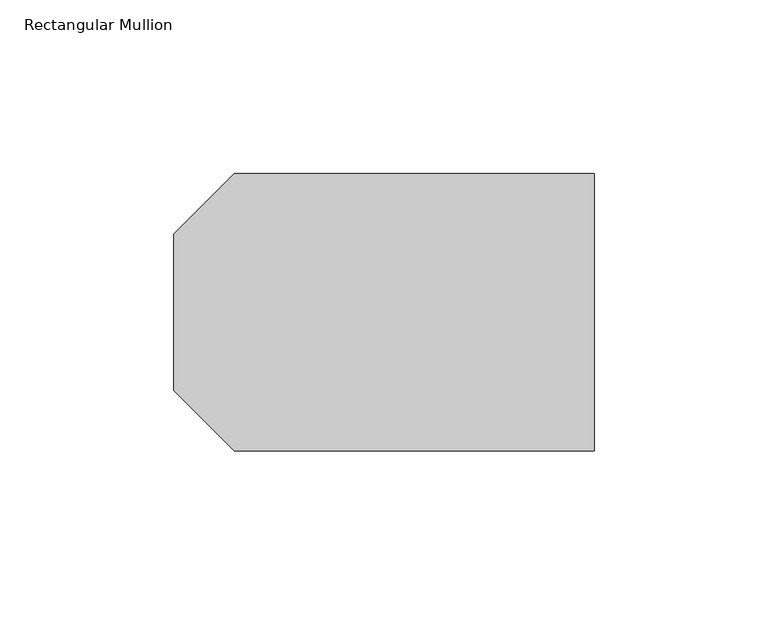
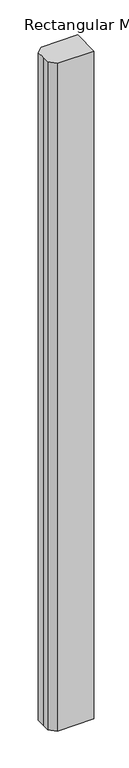
"""IFC4 building model written with IfcOpenShell, lengths in millimetres: member geometry, Rectangular Mullion."""

from ifc_helpers import new_model, si_unit, frame, origin, place, context, project, spatial, polyline, outline, extrude, source, transform, mapped, element, save


def rectangular_mullion_30d14a96(model_context):
    return source(origin(), model_context, "Body", "SweptSolid", [
        extrude(outline(polyline([(-121.0, 22.5), (-103.597438, 39.902562), (0.0, 39.902562), (0.0, -39.902562), (-103.597438, -39.902562), (-121.0, -22.5), (-121.0, 0.0), (-121.0, 22.5)])), frame((0.0, 0.0, -2000.0000001), z_axis=(0.0, 0.0, 1.0), x_axis=(1.0, 0.0, 0.0)), (0.0, 0.0, 1.0), 2000.0000001),
    ])


if __name__ == "__main__":
    model = new_model("IFC4")
    model_context = context("Model", 3, world=origin())
    ifc_project = project(units=[si_unit("LENGTHUNIT", "METRE", prefix="MILLI")], contexts=[model_context])
    site = spatial("IfcSite", under=ifc_project)
    building = spatial("IfcBuilding", under=site)
    placement = place(None, origin())
    rectangular_mullion_shape = rectangular_mullion_30d14a96(model_context)
    element("IfcMember", 1, ObjectType="Rectangular Mullion", at=placement, inside=building, context=model_context, shape_type="MappedRepresentation", body=[
        mapped(rectangular_mullion_shape, transform((0.0, 0.0, 0.0), x_axis=(1.0, 0.0, 0.0), y_axis=(0.0, 1.0, 0.0), z_axis=(0.0, 0.0, 1.0))),
    ])
    save(model, "model.ifc")
